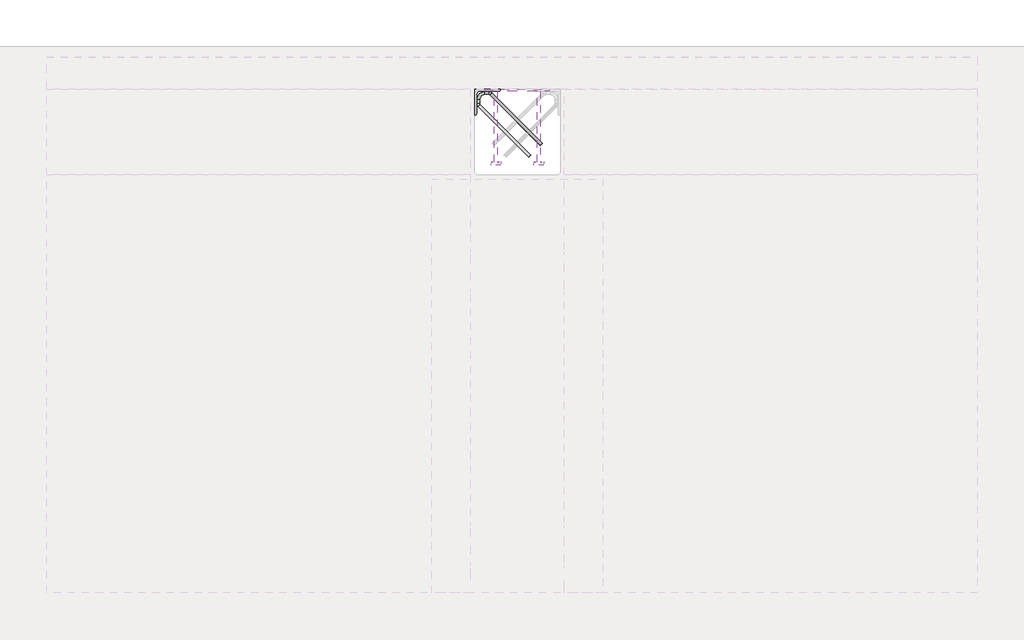
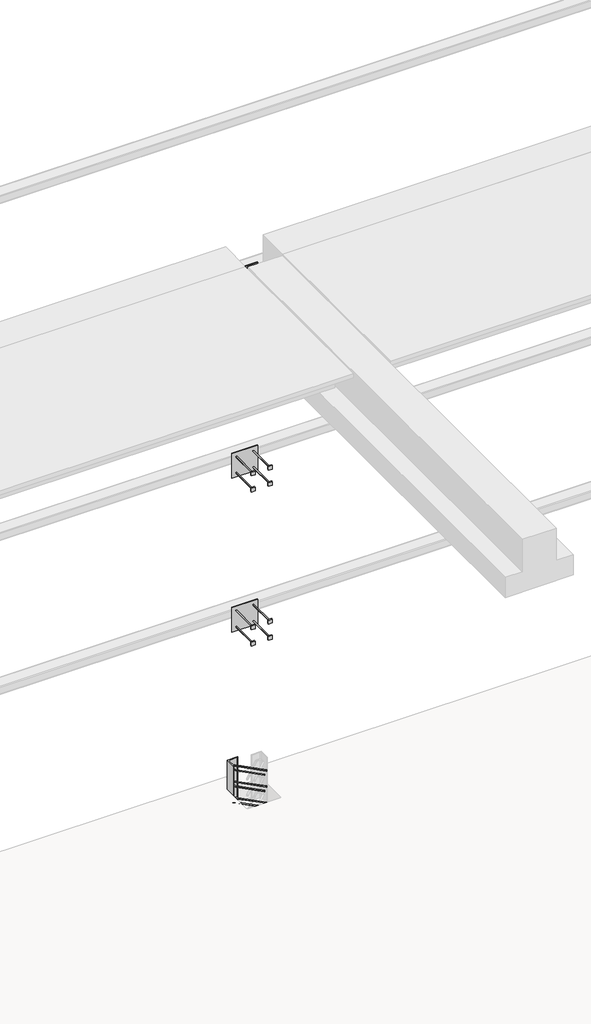
# One storey, part 39 of 65: 4 fasteners.
"""IFC4 building model written with IfcOpenShell, lengths in millimetres."""

from ifc_helpers import new_model, si_unit, point, frame, frame_2d, origin, place, context, project, spatial, polyline, circle_curve, ellipse_curve, trimmed, segment, composite_curve, outline, extrude, element, save
from ifc_brep_helpers import plane_surface, cylinder_surface, revolved_surface, advanced_brep

model = new_model("IFC4")

# Units and contexts
model_context = context("Model", 3, world=origin())
ifc_project = project(units=[si_unit("LENGTHUNIT", "METRE", prefix="MILLI")], contexts=[model_context])

# Site, building, storey
site = spatial("IfcSite", under=ifc_project)
building = spatial("IfcBuilding", under=site)
storey = spatial("IfcBuildingStorey", under=building, Elevation=0.0)

# Fasteners
placement = place(None, origin())
element("IfcFastener", 1, at=placement, inside=storey, context=model_context, shape_type="SolidModel", body=[
    advanced_brep(
    [(37052.5376259, 38682.5628791, 280.0), (37062.4371209, 38692.4623741, 280.0), (37117.4371209, 38747.4623741, 280.0), (37107.5376259, 38737.5628791, 280.0), (36847.0, 38976.0, 280.0), (36847.0, 38990.0, 280.0), (36865.7867966, 38990.0, 280.0), (36865.7867966, 38976.0, 280.0), (36824.0, 38953.0, 280.0), (36810.0, 38953.0, 280.0), (36824.0, 38934.2132034, 280.0), (36810.0, 38934.2132034, 280.0), (36816.4436508, 38918.6568542, 280.0), (36826.3431458, 38928.5563492, 280.0), (36871.4436508, 38973.6568542, 280.0), (36881.3431458, 38983.5563492, 280.0)],
    [
        (0, 1, circle_curve(frame((37057.4873734, 38687.5126266, 280.0), z_axis=(0.7071067811865482, -0.707106781186547, 0.0), x_axis=(0.707106781186547, 0.7071067811865482, 0.0)), 7.0)),
        (1, 0, circle_curve(frame((37057.4873734, 38687.5126266, 280.0), z_axis=(0.7071067811865482, -0.707106781186547, 0.0), x_axis=(0.707106781186547, 0.7071067811865482, 0.0)), 7.0)),
        (2, 3, circle_curve(frame((37112.4873734, 38742.5126266, 280.0), z_axis=(0.707106781186548, -0.707106781186547, 0.0), x_axis=(-0.707106781186547, -0.707106781186548, 0.0)), 7.0)),
        (3, 2, circle_curve(frame((37112.4873734, 38742.5126266, 280.0), z_axis=(0.707106781186548, -0.707106781186547, 0.0), x_axis=(-0.707106781186547, -0.707106781186548, 0.0)), 7.0)),
        (4, 5, circle_curve(frame((36847.0, 38983.0, 280.0), z_axis=(1.0, 0.0, 0.0), x_axis=(0.0, -1.0, 0.0)), 7.0)),
        (5, 6),
        (6, 7, circle_curve(frame((36865.7867966, 38983.0, 280.0), z_axis=(-1.0, 0.0, 0.0), x_axis=(0.0, -1.0, 0.0)), 7.0)),
        (7, 4),
        (5, 4, circle_curve(frame((36847.0, 38983.0, 280.0), z_axis=(1.0, 0.0, 0.0), x_axis=(0.0, -1.0, 0.0)), 7.0)),
        (7, 6, circle_curve(frame((36865.7867966, 38983.0, 280.0), z_axis=(-1.0, 0.0, 0.0), x_axis=(0.0, -1.0, 0.0)), 7.0)),
        (4, 8, circle_curve(frame((36847.0, 38953.0, 280.0), z_axis=(0.0, 0.0, 1.0), x_axis=(-1.0, 0.0, 0.0)), 23.0)),
        (8, 9, circle_curve(frame((36817.0, 38953.0, 280.0), z_axis=(0.0, 1.0, 0.0), x_axis=(1.0, 0.0, 0.0)), 7.0)),
        (9, 5, circle_curve(frame((36847.0, 38953.0, 280.0), z_axis=(0.0, 0.0, -1.0), x_axis=(-1.0, 0.0, 0.0)), 37.0)),
        (9, 8, circle_curve(frame((36817.0, 38953.0, 280.0), z_axis=(0.0, 1.0, 0.0), x_axis=(1.0, 0.0, 0.0)), 7.0)),
        (10, 11, circle_curve(frame((36817.0, 38934.2132034, 280.0), z_axis=(0.0, 1.0, 0.0), x_axis=(1.0, 0.0, 0.0)), 7.0)),
        (11, 9),
        (8, 10),
        (11, 10, circle_curve(frame((36817.0, 38934.2132034, 280.0), z_axis=(0.0, 1.0, 0.0), x_axis=(1.0, 0.0, 0.0)), 7.0)),
        (0, 12),
        (12, 13, circle_curve(frame((36821.3933983, 38923.6066017, 280.0), z_axis=(0.7071067811865482, -0.707106781186547, 0.0), x_axis=(0.707106781186547, 0.7071067811865482, 0.0)), 7.0)),
        (13, 1),
        (13, 12, circle_curve(frame((36821.3933983, 38923.6066017, 280.0), z_axis=(0.7071067811865482, -0.707106781186547, 0.0), x_axis=(0.707106781186547, 0.7071067811865482, 0.0)), 7.0)),
        (10, 13, circle_curve(frame((36832.0, 38934.2132034, 280.0), z_axis=(0.0, 0.0, 1.0), x_axis=(-0.7071067811865468, -0.7071067811865482, 0.0)), 8.0)),
        (12, 11, circle_curve(frame((36832.0, 38934.2132034, 280.0), z_axis=(0.0, 0.0, -1.0), x_axis=(-0.7071067811865468, -0.7071067811865482, 0.0)), 22.0)),
        (14, 7, circle_curve(frame((36865.7867966, 38968.0, 280.0), z_axis=(0.0, 0.0, 1.0), x_axis=(0.0, 1.0, 0.0)), 8.0)),
        (6, 15, circle_curve(frame((36865.7867966, 38968.0, 280.0), z_axis=(0.0, 0.0, -1.0), x_axis=(0.0, 1.0, 0.0)), 22.0)),
        (15, 14, circle_curve(frame((36876.3933983, 38978.6066017, 280.0), z_axis=(-0.7071067811865479, 0.7071067811865471, 0.0), x_axis=(-0.7071067811865471, -0.7071067811865479, 0.0)), 7.0)),
        (14, 15, circle_curve(frame((36876.3933983, 38978.6066017, 280.0), z_axis=(-0.7071067811865476, 0.7071067811865475, 0.0), x_axis=(-0.7071067811865475, -0.7071067811865476, 0.0)), 7.0)),
        (15, 2),
        (3, 14),
    ],
    [
        plane_surface(frame((37057.4873734, 38687.5126266, 280.0), z_axis=(0.7071067811865482, -0.707106781186547, 0.0), x_axis=(0.0, 0.0, -1.0))),
        plane_surface(frame((37112.4873734, 38742.5126266, 280.0), z_axis=(0.707106781186548, -0.707106781186547, 0.0), x_axis=(0.0, 0.0, -1.0))),
        cylinder_surface(frame((36847.0, 38983.0, 280.0), z_axis=(-1.0, 0.0, 0.0), x_axis=(0.0, -1.0, 0.0)), 7.0),
        revolved_surface(trimmed(ellipse_curve(frame((36817.0, 38953.0, 280.0), z_axis=(0.0, -1.0, 0.0), x_axis=(1.0, 0.0, 0.0)), 7.0, 7.0), [point((36810.0, 38953.0, 280.0))], [point((36824.0, 38953.0, 280.0))], True, "CARTESIAN"), (36847.0, 38953.0, 280.0), (0.0, 0.0, -1.0)),
        revolved_surface(trimmed(ellipse_curve(frame((36817.0, 38953.0, 280.0), z_axis=(0.0, -1.0, 0.0), x_axis=(1.0, 0.0, 0.0)), 7.0, 7.0), [point((36824.0, 38953.0, 280.0))], [point((36810.0, 38953.0, 280.0))], True, "CARTESIAN"), (36847.0, 38953.0, 280.0), (0.0, 0.0, -1.0)),
        cylinder_surface(frame((36817.0, 38934.2132034, 280.0), z_axis=(0.0, -1.0, 0.0), x_axis=(1.0, 0.0, 0.0)), 7.0),
        cylinder_surface(frame((37057.4873734, 38687.5126266, 280.0), z_axis=(0.7071067811865482, -0.707106781186547, 0.0), x_axis=(0.707106781186547, 0.7071067811865482, 0.0)), 7.0),
        revolved_surface(trimmed(ellipse_curve(frame((36821.3933983, 38923.6066017, 280.0), z_axis=(0.7071067811865482, -0.7071067811865468, 0.0), x_axis=(0.7071067811865468, 0.7071067811865482, 0.0)), 7.0, 7.0), [point((36816.4436508, 38918.6568542, 280.0))], [point((36826.3431458, 38928.5563492, 280.0))], True, "CARTESIAN"), (36832.0, 38934.2132034, 280.0), (0.0, 0.0, -1.0)),
        revolved_surface(trimmed(ellipse_curve(frame((36821.3933983, 38923.6066017, 280.0), z_axis=(0.7071067811865482, -0.7071067811865468, 0.0), x_axis=(0.7071067811865468, 0.7071067811865482, 0.0)), 7.0, 7.0), [point((36826.3431458, 38928.5563492, 280.0))], [point((36816.4436508, 38918.6568542, 280.0))], True, "CARTESIAN"), (36832.0, 38934.2132034, 280.0), (0.0, 0.0, -1.0)),
        revolved_surface(trimmed(ellipse_curve(frame((36865.7867966, 38983.0, 280.0), z_axis=(-1.0, 0.0, 0.0), x_axis=(0.0, -1.0, 0.0)), 7.0, 7.0), [point((36865.7867966, 38990.0, 280.0))], [point((36865.7867966, 38976.0, 280.0))], True, "CARTESIAN"), (36865.7867966, 38968.0, 280.0), (0.0, 0.0, -1.0)),
        revolved_surface(trimmed(ellipse_curve(frame((36865.7867966, 38983.0, 280.0), z_axis=(-1.0, 0.0, 0.0), x_axis=(0.0, -1.0, 0.0)), 7.0, 7.0), [point((36865.7867966, 38976.0, 280.0))], [point((36865.7867966, 38990.0, 280.0))], True, "CARTESIAN"), (36865.7867966, 38968.0, 280.0), (0.0, 0.0, -1.0)),
        cylinder_surface(frame((36876.3933983, 38978.6066017, 280.0), z_axis=(-0.707106781186548, 0.707106781186547, 0.0), x_axis=(-0.707106781186547, -0.707106781186548, 0.0)), 7.0),
    ],
    [
        (0, [[1, 2]]),
        (1, [[3, 4]]),
        (2, [[5, 6, 7, 8]]),
        (2, [[9, -8, 10, -6]]),
        (3, [[11, 12, 13, -5]]),
        (4, [[-13, 14, -11, -9]]),
        (5, [[15, 16, -12, 17]]),
        (5, [[18, -17, -14, -16]]),
        (6, [[-1, 19, 20, 21]]),
        (6, [[-2, -21, 22, -19]]),
        (7, [[23, -20, 24, -15]]),
        (8, [[-24, -22, -23, -18]]),
        (9, [[25, -7, 26, 27]]),
        (10, [[-26, -10, -25, 28]]),
        (11, [[-27, 29, -4, 30]]),
        (11, [[-28, -30, -3, -29]]),
    ],
),
    advanced_brep(
    [(37062.4371209, 38692.4623741, -120.0), (37052.5376259, 38682.5628791, -120.0), (37107.5376259, 38737.5628791, -120.0), (37117.4371209, 38747.4623741, -120.0), (36847.0, 38990.0, -120.0), (36847.0, 38976.0, -120.0), (36865.7867966, 38976.0, -120.0), (36865.7867966, 38990.0, -120.0), (36810.0, 38953.0, -120.0), (36824.0, 38953.0, -120.0), (36810.0, 38934.2132034, -120.0), (36824.0, 38934.2132034, -120.0), (36826.3431458, 38928.5563492, -120.0), (36816.4436508, 38918.6568542, -120.0), (36881.3431458, 38983.5563492, -120.0), (36871.4436508, 38973.6568542, -120.0)],
    [
        (0, 1, circle_curve(frame((37057.4873734, 38687.5126266, -120.0), z_axis=(0.7071067811865482, -0.707106781186547, 0.0), x_axis=(-0.707106781186547, -0.7071067811865482, 0.0)), 7.0)),
        (1, 0, circle_curve(frame((37057.4873734, 38687.5126266, -120.0), z_axis=(0.7071067811865482, -0.707106781186547, 0.0), x_axis=(-0.707106781186547, -0.7071067811865482, 0.0)), 7.0)),
        (2, 3, circle_curve(frame((37112.4873734, 38742.5126266, -120.0), z_axis=(0.7071067811865481, -0.707106781186547, 0.0), x_axis=(0.707106781186547, 0.7071067811865481, 0.0)), 7.0)),
        (3, 2, circle_curve(frame((37112.4873734, 38742.5126266, -120.0), z_axis=(0.7071067811865481, -0.707106781186547, 0.0), x_axis=(0.707106781186547, 0.7071067811865481, 0.0)), 7.0)),
        (4, 5, circle_curve(frame((36847.0, 38983.0, -120.0), z_axis=(1.0, 0.0, 0.0), x_axis=(0.0, 1.0, 0.0)), 7.0)),
        (5, 6),
        (6, 7, circle_curve(frame((36865.7867966, 38983.0, -120.0), z_axis=(-1.0, 0.0, 0.0), x_axis=(0.0, 1.0, 0.0)), 7.0)),
        (7, 4),
        (5, 4, circle_curve(frame((36847.0, 38983.0, -120.0), z_axis=(1.0, 0.0, 0.0), x_axis=(0.0, 1.0, 0.0)), 7.0)),
        (7, 6, circle_curve(frame((36865.7867966, 38983.0, -120.0), z_axis=(-1.0, 0.0, 0.0), x_axis=(0.0, 1.0, 0.0)), 7.0)),
        (4, 8, circle_curve(frame((36847.0, 38953.0, -120.0), z_axis=(0.0, 0.0, 1.0), x_axis=(-1.0, 0.0, 0.0)), 37.0)),
        (8, 9, circle_curve(frame((36817.0, 38953.0, -120.0), z_axis=(0.0, 1.0, 0.0), x_axis=(-1.0, 0.0, 0.0)), 7.0)),
        (9, 5, circle_curve(frame((36847.0, 38953.0, -120.0), z_axis=(0.0, 0.0, -1.0), x_axis=(-1.0, 0.0, 0.0)), 23.0)),
        (9, 8, circle_curve(frame((36817.0, 38953.0, -120.0), z_axis=(0.0, 1.0, 0.0), x_axis=(-1.0, 0.0, 0.0)), 7.0)),
        (10, 11, circle_curve(frame((36817.0, 38934.2132034, -120.0), z_axis=(0.0, 1.0, 0.0), x_axis=(-1.0, 0.0, 0.0)), 7.0)),
        (11, 9),
        (8, 10),
        (11, 10, circle_curve(frame((36817.0, 38934.2132034, -120.0), z_axis=(0.0, 1.0, 0.0), x_axis=(-1.0, 0.0, 0.0)), 7.0)),
        (0, 12),
        (12, 13, circle_curve(frame((36821.3933983, 38923.6066017, -120.0), z_axis=(0.7071067811865482, -0.707106781186547, 0.0), x_axis=(-0.707106781186547, -0.7071067811865482, 0.0)), 7.0)),
        (13, 1),
        (13, 12, circle_curve(frame((36821.3933983, 38923.6066017, -120.0), z_axis=(0.7071067811865482, -0.707106781186547, 0.0), x_axis=(-0.707106781186547, -0.7071067811865482, 0.0)), 7.0)),
        (10, 13, circle_curve(frame((36832.0, 38934.2132034, -120.0), z_axis=(0.0, 0.0, 1.0), x_axis=(-0.7071067811865468, -0.7071067811865482, 0.0)), 22.0)),
        (12, 11, circle_curve(frame((36832.0, 38934.2132034, -120.0), z_axis=(0.0, 0.0, -1.0), x_axis=(-0.7071067811865468, -0.7071067811865482, 0.0)), 8.0)),
        (14, 7, circle_curve(frame((36865.7867966, 38968.0, -120.0), z_axis=(0.0, 0.0, 1.0), x_axis=(0.0, 1.0, 0.0)), 22.0)),
        (6, 15, circle_curve(frame((36865.7867966, 38968.0, -120.0), z_axis=(0.0, 0.0, -1.0), x_axis=(0.0, 1.0, 0.0)), 8.0)),
        (15, 14, circle_curve(frame((36876.3933983, 38978.6066017, -120.0), z_axis=(-0.7071067811865464, 0.7071067811865487, 0.0), x_axis=(0.7071067811865487, 0.7071067811865464, 0.0)), 7.0)),
        (14, 15, circle_curve(frame((36876.3933983, 38978.6066017, -120.0), z_axis=(-0.7071067811865474, 0.7071067811865477, 0.0), x_axis=(0.7071067811865477, 0.7071067811865474, 0.0)), 7.0)),
        (15, 2),
        (3, 14),
    ],
    [
        plane_surface(frame((37057.4873734, 38687.5126266, -120.0), z_axis=(0.7071067811865482, -0.707106781186547, 0.0), x_axis=(0.0, 0.0, 1.0))),
        plane_surface(frame((37112.4873734, 38742.5126266, -120.0), z_axis=(0.7071067811865481, -0.707106781186547, 0.0), x_axis=(0.0, 0.0, 1.0))),
        cylinder_surface(frame((36847.0, 38983.0, -120.0), z_axis=(-1.0, 0.0, 0.0), x_axis=(0.0, 1.0, 0.0)), 7.0),
        revolved_surface(trimmed(ellipse_curve(frame((36817.0, 38953.0, -120.0), z_axis=(0.0, -1.0, 0.0), x_axis=(-1.0, 0.0, 0.0)), 7.0, 7.0), [point((36824.0, 38953.0, -120.0))], [point((36810.0, 38953.0, -120.0))], True, "CARTESIAN"), (36847.0, 38953.0, -120.0), (0.0, 0.0, -1.0)),
        revolved_surface(trimmed(ellipse_curve(frame((36817.0, 38953.0, -120.0), z_axis=(0.0, -1.0, 0.0), x_axis=(-1.0, 0.0, 0.0)), 7.0, 7.0), [point((36810.0, 38953.0, -120.0))], [point((36824.0, 38953.0, -120.0))], True, "CARTESIAN"), (36847.0, 38953.0, -120.0), (0.0, 0.0, -1.0)),
        cylinder_surface(frame((36817.0, 38934.2132034, -120.0), z_axis=(0.0, -1.0, 0.0), x_axis=(-1.0, 0.0, 0.0)), 7.0),
        cylinder_surface(frame((37057.4873734, 38687.5126266, -120.0), z_axis=(0.7071067811865482, -0.707106781186547, 0.0), x_axis=(-0.707106781186547, -0.7071067811865482, 0.0)), 7.0),
        revolved_surface(trimmed(ellipse_curve(frame((36821.3933983, 38923.6066017, -120.0), z_axis=(0.7071067811865482, -0.7071067811865468, 0.0), x_axis=(-0.7071067811865468, -0.7071067811865482, 0.0)), 7.0, 7.0), [point((36826.3431458, 38928.5563492, -120.0))], [point((36816.4436508, 38918.6568542, -120.0))], True, "CARTESIAN"), (36832.0, 38934.2132034, -120.0), (0.0, 0.0, -1.0)),
        revolved_surface(trimmed(ellipse_curve(frame((36821.3933983, 38923.6066017, -120.0), z_axis=(0.7071067811865482, -0.7071067811865468, 0.0), x_axis=(-0.7071067811865468, -0.7071067811865482, 0.0)), 7.0, 7.0), [point((36816.4436508, 38918.6568542, -120.0))], [point((36826.3431458, 38928.5563492, -120.0))], True, "CARTESIAN"), (36832.0, 38934.2132034, -120.0), (0.0, 0.0, -1.0)),
        revolved_surface(trimmed(ellipse_curve(frame((36865.7867966, 38983.0, -120.0), z_axis=(-1.0, 0.0, 0.0), x_axis=(0.0, 1.0, 0.0)), 7.0, 7.0), [point((36865.7867966, 38976.0, -120.0))], [point((36865.7867966, 38990.0, -120.0))], True, "CARTESIAN"), (36865.7867966, 38968.0, -120.0), (0.0, 0.0, -1.0)),
        revolved_surface(trimmed(ellipse_curve(frame((36865.7867966, 38983.0, -120.0), z_axis=(-1.0, 0.0, 0.0), x_axis=(0.0, 1.0, 0.0)), 7.0, 7.0), [point((36865.7867966, 38990.0, -120.0))], [point((36865.7867966, 38976.0, -120.0))], True, "CARTESIAN"), (36865.7867966, 38968.0, -120.0), (0.0, 0.0, -1.0)),
        cylinder_surface(frame((36876.3933983, 38978.6066017, -120.0), z_axis=(-0.7071067811865481, 0.707106781186547, 0.0), x_axis=(0.707106781186547, 0.7071067811865481, 0.0)), 7.0),
    ],
    [
        (0, [[1, 2]]),
        (1, [[3, 4]]),
        (2, [[5, 6, 7, 8]]),
        (2, [[9, -8, 10, -6]]),
        (3, [[11, 12, 13, -5]]),
        (4, [[-13, 14, -11, -9]]),
        (5, [[15, 16, -12, 17]]),
        (5, [[18, -17, -14, -16]]),
        (6, [[-1, 19, 20, 21]]),
        (6, [[-2, -21, 22, -19]]),
        (7, [[23, -20, 24, -15]]),
        (8, [[-24, -22, -23, -18]]),
        (9, [[25, -7, 26, 27]]),
        (10, [[-26, -10, -25, 28]]),
        (11, [[-27, 29, -4, 30]]),
        (11, [[-28, -30, -3, -29]]),
    ],
),
    advanced_brep(
    [(37062.4371209, 38692.4623741, 80.0), (37052.5376259, 38682.5628791, 80.0), (37107.5376259, 38737.5628791, 80.0), (37117.4371209, 38747.4623741, 80.0), (36847.0, 38990.0, 80.0), (36847.0, 38976.0, 80.0), (36865.7867966, 38976.0, 80.0), (36865.7867966, 38990.0, 80.0), (36810.0, 38953.0, 80.0), (36824.0, 38953.0, 80.0), (36810.0, 38934.2132034, 80.0), (36824.0, 38934.2132034, 80.0), (36826.3431458, 38928.5563492, 80.0), (36816.4436508, 38918.6568542, 80.0), (36881.3431458, 38983.5563492, 80.0), (36871.4436508, 38973.6568542, 80.0)],
    [
        (0, 1, circle_curve(frame((37057.4873734, 38687.5126266, 80.0), z_axis=(0.7071067811865481, -0.7071067811865469, 0.0), x_axis=(-0.7071067811865469, -0.7071067811865481, 0.0)), 7.0)),
        (1, 0, circle_curve(frame((37057.4873734, 38687.5126266, 80.0), z_axis=(0.7071067811865481, -0.7071067811865469, 0.0), x_axis=(-0.7071067811865469, -0.7071067811865481, 0.0)), 7.0)),
        (2, 3, circle_curve(frame((37112.4873734, 38742.5126266, 80.0), z_axis=(0.7071067811865481, -0.707106781186547, 0.0), x_axis=(0.707106781186547, 0.7071067811865481, 0.0)), 7.0)),
        (3, 2, circle_curve(frame((37112.4873734, 38742.5126266, 80.0), z_axis=(0.7071067811865481, -0.707106781186547, 0.0), x_axis=(0.707106781186547, 0.7071067811865481, 0.0)), 7.0)),
        (4, 5, circle_curve(frame((36847.0, 38983.0, 80.0), z_axis=(1.0, 0.0, 0.0), x_axis=(0.0, 1.0, 0.0)), 7.0)),
        (5, 6),
        (6, 7, circle_curve(frame((36865.7867966, 38983.0, 80.0), z_axis=(-1.0, 0.0, 0.0), x_axis=(0.0, 1.0, 0.0)), 7.0)),
        (7, 4),
        (5, 4, circle_curve(frame((36847.0, 38983.0, 80.0), z_axis=(1.0, 0.0, 0.0), x_axis=(0.0, 1.0, 0.0)), 7.0)),
        (7, 6, circle_curve(frame((36865.7867966, 38983.0, 80.0), z_axis=(-1.0, 0.0, 0.0), x_axis=(0.0, 1.0, 0.0)), 7.0)),
        (4, 8, circle_curve(frame((36847.0, 38953.0, 80.0), z_axis=(0.0, 0.0, 1.0), x_axis=(-1.0, 0.0, 0.0)), 37.0)),
        (8, 9, circle_curve(frame((36817.0, 38953.0, 80.0), z_axis=(0.0, 1.0, 0.0), x_axis=(-1.0, 0.0, 0.0)), 7.0)),
        (9, 5, circle_curve(frame((36847.0, 38953.0, 80.0), z_axis=(0.0, 0.0, -1.0), x_axis=(-1.0, 0.0, 0.0)), 23.0)),
        (9, 8, circle_curve(frame((36817.0, 38953.0, 80.0), z_axis=(0.0, 1.0, 0.0), x_axis=(-1.0, 0.0, 0.0)), 7.0)),
        (10, 11, circle_curve(frame((36817.0, 38934.2132034, 80.0), z_axis=(0.0, 1.0, 0.0), x_axis=(-1.0, 0.0, 0.0)), 7.0)),
        (11, 9),
        (8, 10),
        (11, 10, circle_curve(frame((36817.0, 38934.2132034, 80.0), z_axis=(0.0, 1.0, 0.0), x_axis=(-1.0, 0.0, 0.0)), 7.0)),
        (0, 12),
        (12, 13, circle_curve(frame((36821.3933983, 38923.6066017, 80.0), z_axis=(0.7071067811865481, -0.7071067811865469, 0.0), x_axis=(-0.7071067811865469, -0.7071067811865481, 0.0)), 7.0)),
        (13, 1),
        (13, 12, circle_curve(frame((36821.3933983, 38923.6066017, 80.0), z_axis=(0.7071067811865481, -0.7071067811865469, 0.0), x_axis=(-0.7071067811865469, -0.7071067811865481, 0.0)), 7.0)),
        (10, 13, circle_curve(frame((36832.0, 38934.2132034, 80.0), z_axis=(0.0, 0.0, 1.0), x_axis=(-0.7071067811865468, -0.7071067811865482, 0.0)), 22.0)),
        (12, 11, circle_curve(frame((36832.0, 38934.2132034, 80.0), z_axis=(0.0, 0.0, -1.0), x_axis=(-0.7071067811865468, -0.7071067811865482, 0.0)), 8.0)),
        (14, 7, circle_curve(frame((36865.7867966, 38968.0, 80.0), z_axis=(0.0, 0.0, 1.0), x_axis=(0.0, 1.0, 0.0)), 22.0)),
        (6, 15, circle_curve(frame((36865.7867966, 38968.0, 80.0), z_axis=(0.0, 0.0, -1.0), x_axis=(0.0, 1.0, 0.0)), 8.0)),
        (15, 14, circle_curve(frame((36876.3933983, 38978.6066017, 80.0), z_axis=(-0.707106781186548, 0.707106781186547, 0.0), x_axis=(0.707106781186547, 0.707106781186548, 0.0)), 7.0)),
        (14, 15, circle_curve(frame((36876.3933983, 38978.6066017, 80.0), z_axis=(-0.7071067811865479, 0.7071067811865471, 0.0), x_axis=(0.7071067811865471, 0.7071067811865479, 0.0)), 7.0)),
        (15, 2),
        (3, 14),
    ],
    [
        plane_surface(frame((37057.4873734, 38687.5126266, 80.0), z_axis=(0.7071067811865481, -0.7071067811865469, 0.0), x_axis=(0.0, 0.0, 1.0))),
        plane_surface(frame((37112.4873734, 38742.5126266, 80.0), z_axis=(0.707106781186548, -0.7071067811865471, 0.0), x_axis=(0.0, 0.0, 1.0))),
        cylinder_surface(frame((36847.0, 38983.0, 80.0), z_axis=(-1.0, 0.0, 0.0), x_axis=(0.0, 1.0, 0.0)), 7.0),
        revolved_surface(trimmed(ellipse_curve(frame((36817.0, 38953.0, 80.0), z_axis=(0.0, -1.0, 0.0), x_axis=(-1.0, 0.0, 0.0)), 7.0, 7.0), [point((36824.0, 38953.0, 80.0))], [point((36810.0, 38953.0, 80.0))], True, "CARTESIAN"), (36847.0, 38953.0, 80.0), (0.0, 0.0, -1.0)),
        revolved_surface(trimmed(ellipse_curve(frame((36817.0, 38953.0, 80.0), z_axis=(0.0, -1.0, 0.0), x_axis=(-1.0, 0.0, 0.0)), 7.0, 7.0), [point((36810.0, 38953.0, 80.0))], [point((36824.0, 38953.0, 80.0))], True, "CARTESIAN"), (36847.0, 38953.0, 80.0), (0.0, 0.0, -1.0)),
        cylinder_surface(frame((36817.0, 38934.2132034, 80.0), z_axis=(0.0, -1.0, 0.0), x_axis=(-1.0, 0.0, 0.0)), 7.0),
        cylinder_surface(frame((37057.4873734, 38687.5126266, 80.0), z_axis=(0.7071067811865481, -0.7071067811865469, 0.0), x_axis=(-0.7071067811865469, -0.7071067811865481, 0.0)), 7.0),
        revolved_surface(trimmed(ellipse_curve(frame((36821.3933983, 38923.6066017, 80.0), z_axis=(0.7071067811865483, -0.7071067811865467, 0.0), x_axis=(-0.7071067811865467, -0.7071067811865483, 0.0)), 7.0, 7.0), [point((36826.3431458, 38928.5563492, 80.0))], [point((36816.4436508, 38918.6568542, 80.0))], True, "CARTESIAN"), (36832.0, 38934.2132034, 80.0), (0.0, 0.0, -1.0)),
        revolved_surface(trimmed(ellipse_curve(frame((36821.3933983, 38923.6066017, 80.0), z_axis=(0.7071067811865483, -0.7071067811865467, 0.0), x_axis=(-0.7071067811865467, -0.7071067811865483, 0.0)), 7.0, 7.0), [point((36816.4436508, 38918.6568542, 80.0))], [point((36826.3431458, 38928.5563492, 80.0))], True, "CARTESIAN"), (36832.0, 38934.2132034, 80.0), (0.0, 0.0, -1.0)),
        revolved_surface(trimmed(ellipse_curve(frame((36865.7867966, 38983.0, 80.0), z_axis=(-1.0, 0.0, 0.0), x_axis=(0.0, 1.0, 0.0)), 7.0, 7.0), [point((36865.7867966, 38976.0, 80.0))], [point((36865.7867966, 38990.0, 80.0))], True, "CARTESIAN"), (36865.7867966, 38968.0, 80.0), (0.0, 0.0, -1.0)),
        revolved_surface(trimmed(ellipse_curve(frame((36865.7867966, 38983.0, 80.0), z_axis=(-1.0, 0.0, 0.0), x_axis=(0.0, 1.0, 0.0)), 7.0, 7.0), [point((36865.7867966, 38990.0, 80.0))], [point((36865.7867966, 38976.0, 80.0))], True, "CARTESIAN"), (36865.7867966, 38968.0, 80.0), (0.0, 0.0, -1.0)),
        cylinder_surface(frame((36876.3933983, 38978.6066017, 80.0), z_axis=(-0.7071067811865481, 0.707106781186547, 0.0), x_axis=(0.707106781186547, 0.7071067811865481, 0.0)), 7.0),
    ],
    [
        (0, [[1, 2]]),
        (1, [[3, 4]]),
        (2, [[5, 6, 7, 8]]),
        (2, [[9, -8, 10, -6]]),
        (3, [[11, 12, 13, -5]]),
        (4, [[-13, 14, -11, -9]]),
        (5, [[15, 16, -12, 17]]),
        (5, [[18, -17, -14, -16]]),
        (6, [[-1, 19, 20, 21]]),
        (6, [[-2, -21, 22, -19]]),
        (7, [[23, -20, 24, -15]]),
        (8, [[-24, -22, -23, -18]]),
        (9, [[25, -7, 26, 27]]),
        (10, [[-26, -10, -25, 28]]),
        (11, [[-27, 29, -4, 30]]),
        (11, [[-28, -30, -3, -29]]),
    ],
),
    extrude(outline(composite_curve([segment(polyline([(36800.0, 39000.0), (36920.0, 39000.0), (36920.0, 38996.5)]), True, "CONTINUOUS"), segment(trimmed(circle_curve(frame_2d((36913.5, 38996.5)), 6.5), [point((36920.0, 38996.5))], [point((36913.5, 38990.0))], False, "CARTESIAN"), True, "CONTINUOUS"), segment(polyline([(36913.5, 38990.0), (36823.0, 38990.0)]), True, "CONTINUOUS"), segment(trimmed(circle_curve(frame_2d((36823.0, 38977.0)), 13.0), [point((36823.0, 38990.0))], [point((36810.0, 38977.0))], True, "CARTESIAN"), True, "CONTINUOUS"), segment(polyline([(36810.0, 38977.0), (36810.0, 38886.5)]), True, "CONTINUOUS"), segment(trimmed(circle_curve(frame_2d((36803.5, 38886.5)), 6.5), [point((36810.0, 38886.5))], [point((36803.5, 38880.0))], False, "CARTESIAN"), True, "CONTINUOUS"), segment(polyline([(36803.5, 38880.0), (36800.0, 38880.0), (36800.0, 39000.0)]), True, "CONTINUOUS")], self_intersect=False)), frame((0.0, 0.0, -200.0), z_axis=(0.0, 0.0, 1.0), x_axis=(1.0, 0.0, 0.0)), (0.0, 0.0, 1.0), 560.0),
])
element("IfcFastener", 2, ObjectType="ZC : ZC 1", at=placement, inside=storey, context=model_context, shape_type="SweptSolid", body=[
    extrude(outline(polyline([(36877.5, 38660.0), (36922.5, 38660.0), (36922.5, 38644.0), (36877.5, 38644.0), (36877.5, 38660.0)])), frame((0.0, 0.0, 3867.5), z_axis=(0.0, 0.0, 1.0), x_axis=(1.0, 0.0, 0.0)), (0.0, 0.0, 1.0), 45.0),
    extrude(outline(composite_curve([segment(trimmed(circle_curve(frame_2d((3890.0, 36900.0)), 7.0), [point((3890.0, 36893.0))], [point((3890.0, 36907.0))], False, "CARTESIAN"), True, "CONTINUOUS"), segment(trimmed(circle_curve(frame_2d((3890.0, 36900.0)), 7.0), [point((3890.0, 36907.0))], [point((3890.0, 36893.0))], False, "CARTESIAN"), True, "CONTINUOUS")], self_intersect=False)), frame((0.0, 38660.0, 0.0), z_axis=(0.0, 1.0, 0.0), x_axis=(0.0, 0.0, 1.0)), (0.0, 0.0, 1.0), 330.0),
    extrude(outline(polyline([(37077.5, 38660.0), (37122.5, 38660.0), (37122.5, 38644.0), (37077.5, 38644.0), (37077.5, 38660.0)])), frame((0.0, 0.0, 3867.5), z_axis=(0.0, 0.0, 1.0), x_axis=(1.0, 0.0, 0.0)), (0.0, 0.0, 1.0), 45.0),
    extrude(outline(composite_curve([segment(trimmed(circle_curve(frame_2d((3890.0, 37100.0)), 7.0), [point((3890.0, 37093.0))], [point((3890.0, 37107.0))], False, "CARTESIAN"), True, "CONTINUOUS"), segment(trimmed(circle_curve(frame_2d((3890.0, 37100.0)), 7.0), [point((3890.0, 37107.0))], [point((3890.0, 37093.0))], False, "CARTESIAN"), True, "CONTINUOUS")], self_intersect=False)), frame((0.0, 38660.0, 0.0), z_axis=(0.0, 1.0, 0.0), x_axis=(0.0, 0.0, 1.0)), (0.0, 0.0, 1.0), 330.0),
    extrude(outline(polyline([(36877.5, 38660.0), (36922.5, 38660.0), (36922.5, 38644.0), (36877.5, 38644.0), (36877.5, 38660.0)])), frame((0.0, 0.0, 4067.5), z_axis=(0.0, 0.0, 1.0), x_axis=(1.0, 0.0, 0.0)), (0.0, 0.0, 1.0), 45.0),
    extrude(outline(composite_curve([segment(trimmed(circle_curve(frame_2d((4090.0, 36900.0)), 7.0), [point((4090.0, 36893.0))], [point((4090.0, 36907.0))], False, "CARTESIAN"), True, "CONTINUOUS"), segment(trimmed(circle_curve(frame_2d((4090.0, 36900.0)), 7.0), [point((4090.0, 36907.0))], [point((4090.0, 36893.0))], False, "CARTESIAN"), True, "CONTINUOUS")], self_intersect=False)), frame((0.0, 38660.0, 0.0), z_axis=(0.0, 1.0, 0.0), x_axis=(0.0, 0.0, 1.0)), (0.0, 0.0, 1.0), 330.0),
    extrude(outline(polyline([(37077.5, 38660.0), (37122.5, 38660.0), (37122.5, 38644.0), (37077.5, 38644.0), (37077.5, 38660.0)])), frame((0.0, 0.0, 4067.5), z_axis=(0.0, 0.0, 1.0), x_axis=(1.0, 0.0, 0.0)), (0.0, 0.0, 1.0), 45.0),
    extrude(outline(composite_curve([segment(trimmed(circle_curve(frame_2d((4090.0, 37100.0)), 7.0), [point((4090.0, 37093.0))], [point((4090.0, 37107.0))], False, "CARTESIAN"), True, "CONTINUOUS"), segment(trimmed(circle_curve(frame_2d((4090.0, 37100.0)), 7.0), [point((4090.0, 37107.0))], [point((4090.0, 37093.0))], False, "CARTESIAN"), True, "CONTINUOUS")], self_intersect=False)), frame((0.0, 38660.0, 0.0), z_axis=(0.0, 1.0, 0.0), x_axis=(0.0, 0.0, 1.0)), (0.0, 0.0, 1.0), 330.0),
    extrude(outline(polyline([(36850.0, 39000.0), (37150.0, 39000.0), (37150.0, 38990.0), (36850.0, 38990.0), (36850.0, 39000.0)])), frame((0.0, 0.0, 3840.0), z_axis=(0.0, 0.0, 1.0), x_axis=(1.0, 0.0, 0.0)), (0.0, 0.0, 1.0), 300.0),
])
element("IfcFastener", 3, ObjectType="ZC : ZC 1", at=placement, inside=storey, context=model_context, shape_type="SweptSolid", body=[
    extrude(outline(polyline([(36877.5, 38660.0), (36922.5, 38660.0), (36922.5, 38644.0), (36877.5, 38644.0), (36877.5, 38660.0)])), frame((0.0, 0.0, 1962.5), z_axis=(0.0, 0.0, 1.0), x_axis=(1.0, 0.0, 0.0)), (0.0, 0.0, 1.0), 45.0),
    extrude(outline(composite_curve([segment(trimmed(circle_curve(frame_2d((1985.0, 36900.0)), 7.0), [point((1985.0, 36893.0))], [point((1985.0, 36907.0))], False, "CARTESIAN"), True, "CONTINUOUS"), segment(trimmed(circle_curve(frame_2d((1985.0, 36900.0)), 7.0), [point((1985.0, 36907.0))], [point((1985.0, 36893.0))], False, "CARTESIAN"), True, "CONTINUOUS")], self_intersect=False)), frame((0.0, 38660.0, 0.0), z_axis=(0.0, 1.0, 0.0), x_axis=(0.0, 0.0, 1.0)), (0.0, 0.0, 1.0), 330.0),
    extrude(outline(polyline([(37077.5, 38660.0), (37122.5, 38660.0), (37122.5, 38644.0), (37077.5, 38644.0), (37077.5, 38660.0)])), frame((0.0, 0.0, 1962.5), z_axis=(0.0, 0.0, 1.0), x_axis=(1.0, 0.0, 0.0)), (0.0, 0.0, 1.0), 45.0),
    extrude(outline(composite_curve([segment(trimmed(circle_curve(frame_2d((1985.0, 37100.0)), 7.0), [point((1985.0, 37093.0))], [point((1985.0, 37107.0))], False, "CARTESIAN"), True, "CONTINUOUS"), segment(trimmed(circle_curve(frame_2d((1985.0, 37100.0)), 7.0), [point((1985.0, 37107.0))], [point((1985.0, 37093.0))], False, "CARTESIAN"), True, "CONTINUOUS")], self_intersect=False)), frame((0.0, 38660.0, 0.0), z_axis=(0.0, 1.0, 0.0), x_axis=(0.0, 0.0, 1.0)), (0.0, 0.0, 1.0), 330.0),
    extrude(outline(polyline([(36877.5, 38660.0), (36922.5, 38660.0), (36922.5, 38644.0), (36877.5, 38644.0), (36877.5, 38660.0)])), frame((0.0, 0.0, 2162.5), z_axis=(0.0, 0.0, 1.0), x_axis=(1.0, 0.0, 0.0)), (0.0, 0.0, 1.0), 45.0),
    extrude(outline(composite_curve([segment(trimmed(circle_curve(frame_2d((2185.0, 36900.0)), 7.0), [point((2185.0, 36893.0))], [point((2185.0, 36907.0))], False, "CARTESIAN"), True, "CONTINUOUS"), segment(trimmed(circle_curve(frame_2d((2185.0, 36900.0)), 7.0), [point((2185.0, 36907.0))], [point((2185.0, 36893.0))], False, "CARTESIAN"), True, "CONTINUOUS")], self_intersect=False)), frame((0.0, 38660.0, 0.0), z_axis=(0.0, 1.0, 0.0), x_axis=(0.0, 0.0, 1.0)), (0.0, 0.0, 1.0), 330.0),
    extrude(outline(polyline([(37077.5, 38660.0), (37122.5, 38660.0), (37122.5, 38644.0), (37077.5, 38644.0), (37077.5, 38660.0)])), frame((0.0, 0.0, 2162.5), z_axis=(0.0, 0.0, 1.0), x_axis=(1.0, 0.0, 0.0)), (0.0, 0.0, 1.0), 45.0),
    extrude(outline(composite_curve([segment(trimmed(circle_curve(frame_2d((2185.0, 37100.0)), 7.0), [point((2185.0, 37093.0))], [point((2185.0, 37107.0))], False, "CARTESIAN"), True, "CONTINUOUS"), segment(trimmed(circle_curve(frame_2d((2185.0, 37100.0)), 7.0), [point((2185.0, 37107.0))], [point((2185.0, 37093.0))], False, "CARTESIAN"), True, "CONTINUOUS")], self_intersect=False)), frame((0.0, 38660.0, 0.0), z_axis=(0.0, 1.0, 0.0), x_axis=(0.0, 0.0, 1.0)), (0.0, 0.0, 1.0), 330.0),
    extrude(outline(polyline([(36850.0, 39000.0), (37150.0, 39000.0), (37150.0, 38990.0), (36850.0, 38990.0), (36850.0, 39000.0)])), frame((0.0, 0.0, 1935.0), z_axis=(0.0, 0.0, 1.0), x_axis=(1.0, 0.0, 0.0)), (0.0, 0.0, 1.0), 300.0),
])
element("IfcFastener", 4, ObjectType="ZC : ZC 1", at=placement, inside=storey, context=model_context, shape_type="SweptSolid", body=[
    extrude(outline(polyline([(36877.5, 38660.0), (36922.5, 38660.0), (36922.5, 38644.0), (36877.5, 38644.0), (36877.5, 38660.0)])), frame((0.0, 0.0, 6137.5), z_axis=(0.0, 0.0, 1.0), x_axis=(1.0, 0.0, 0.0)), (0.0, 0.0, 1.0), 45.0),
    extrude(outline(composite_curve([segment(trimmed(circle_curve(frame_2d((6160.0, 36900.0)), 7.0), [point((6160.0, 36893.0))], [point((6160.0, 36907.0))], False, "CARTESIAN"), True, "CONTINUOUS"), segment(trimmed(circle_curve(frame_2d((6160.0, 36900.0)), 7.0), [point((6160.0, 36907.0))], [point((6160.0, 36893.0))], False, "CARTESIAN"), True, "CONTINUOUS")], self_intersect=False)), frame((0.0, 38660.0, 0.0), z_axis=(0.0, 1.0, 0.0), x_axis=(0.0, 0.0, 1.0)), (0.0, 0.0, 1.0), 330.0),
    extrude(outline(polyline([(37077.5, 38660.0), (37122.5, 38660.0), (37122.5, 38644.0), (37077.5, 38644.0), (37077.5, 38660.0)])), frame((0.0, 0.0, 6137.5), z_axis=(0.0, 0.0, 1.0), x_axis=(1.0, 0.0, 0.0)), (0.0, 0.0, 1.0), 45.0),
    extrude(outline(composite_curve([segment(trimmed(circle_curve(frame_2d((6160.0, 37100.0)), 7.0), [point((6160.0, 37093.0))], [point((6160.0, 37107.0))], False, "CARTESIAN"), True, "CONTINUOUS"), segment(trimmed(circle_curve(frame_2d((6160.0, 37100.0)), 7.0), [point((6160.0, 37107.0))], [point((6160.0, 37093.0))], False, "CARTESIAN"), True, "CONTINUOUS")], self_intersect=False)), frame((0.0, 38660.0, 0.0), z_axis=(0.0, 1.0, 0.0), x_axis=(0.0, 0.0, 1.0)), (0.0, 0.0, 1.0), 330.0),
    extrude(outline(polyline([(36877.5, 38660.0), (36922.5, 38660.0), (36922.5, 38644.0), (36877.5, 38644.0), (36877.5, 38660.0)])), frame((0.0, 0.0, 6337.5), z_axis=(0.0, 0.0, 1.0), x_axis=(1.0, 0.0, 0.0)), (0.0, 0.0, 1.0), 45.0),
    extrude(outline(composite_curve([segment(trimmed(circle_curve(frame_2d((6360.0, 36900.0)), 7.0), [point((6360.0, 36893.0))], [point((6360.0, 36907.0))], False, "CARTESIAN"), True, "CONTINUOUS"), segment(trimmed(circle_curve(frame_2d((6360.0, 36900.0)), 7.0), [point((6360.0, 36907.0))], [point((6360.0, 36893.0))], False, "CARTESIAN"), True, "CONTINUOUS")], self_intersect=False)), frame((0.0, 38660.0, 0.0), z_axis=(0.0, 1.0, 0.0), x_axis=(0.0, 0.0, 1.0)), (0.0, 0.0, 1.0), 330.0),
    extrude(outline(polyline([(37077.5, 38660.0), (37122.5, 38660.0), (37122.5, 38644.0), (37077.5, 38644.0), (37077.5, 38660.0)])), frame((0.0, 0.0, 6337.5), z_axis=(0.0, 0.0, 1.0), x_axis=(1.0, 0.0, 0.0)), (0.0, 0.0, 1.0), 45.0),
    extrude(outline(composite_curve([segment(trimmed(circle_curve(frame_2d((6360.0, 37100.0)), 7.0), [point((6360.0, 37093.0))], [point((6360.0, 37107.0))], False, "CARTESIAN"), True, "CONTINUOUS"), segment(trimmed(circle_curve(frame_2d((6360.0, 37100.0)), 7.0), [point((6360.0, 37107.0))], [point((6360.0, 37093.0))], False, "CARTESIAN"), True, "CONTINUOUS")], self_intersect=False)), frame((0.0, 38660.0, 0.0), z_axis=(0.0, 1.0, 0.0), x_axis=(0.0, 0.0, 1.0)), (0.0, 0.0, 1.0), 330.0),
    extrude(outline(polyline([(36850.0, 39000.0), (37150.0, 39000.0), (37150.0, 38990.0), (36850.0, 38990.0), (36850.0, 39000.0)])), frame((0.0, 0.0, 6110.0), z_axis=(0.0, 0.0, 1.0), x_axis=(1.0, 0.0, 0.0)), (0.0, 0.0, 1.0), 300.0),
])

save(model, "model.ifc")
